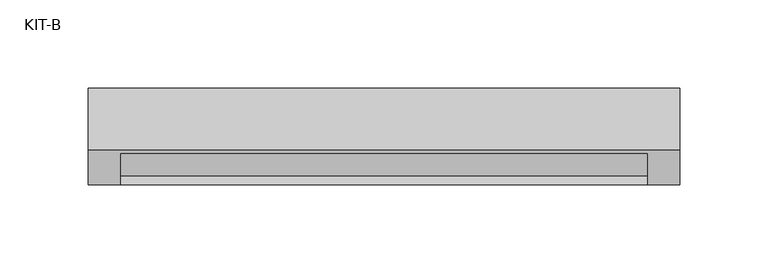
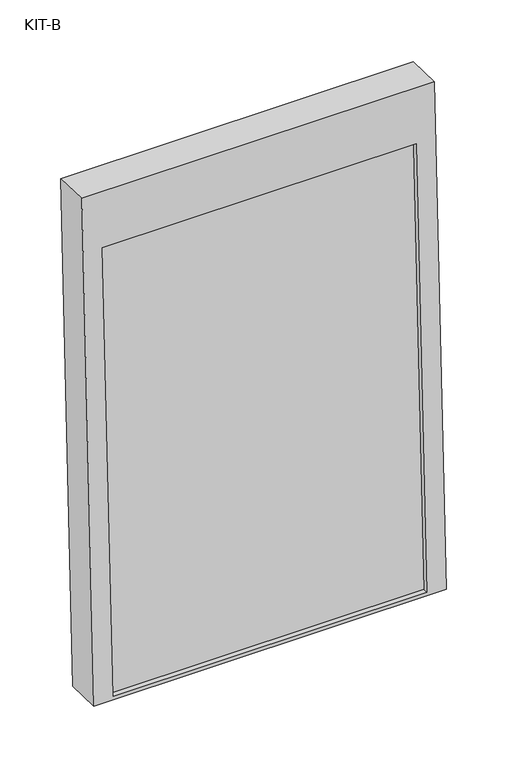
"""IFC4 building model written with IfcOpenShell, lengths in millimetres: plate geometry, KIT-B."""

from ifc_helpers import new_model, si_unit, frame, origin, place, context, project, spatial, polyline, outline, extrude, source, transform, mapped, element, save


def kit_b_1a5244a0(model_context):
    return source(origin(), model_context, "Body", "SweptSolid", [
        extrude(outline(polyline([(0.0, -299.0), (0.0, 0.0), (27.4505712, 0.0), (27.4505712, -299.0), (0.0, -299.0)])), frame((-149.5, -39.3205706, 694.9872355), z_axis=(0.0, 0.03973683410233642, 0.9992101801000245), x_axis=(0.0, 0.9992101801000245, -0.03973683410233642)), (0.0, 0.0, 1.0), 441.5315929),
        extrude(outline(polyline([(0.0, 0.0), (0.0, -336.0), (-500.0, -336.0), (-500.0, 0.0), (0.0, 0.0)]), holes=[polyline([(-55.0, -18.5), (-496.5315929, -18.5), (-496.5315929, -317.5), (-55.0, -317.5), (-55.0, -18.5)])]), frame((-168.0, 10.3863283, 1189.9345529), z_axis=(0.0, -0.9992101801000246, 0.039736834102334216), x_axis=(0.0, 0.039736834102334216, 0.9992101801000246)), (0.0, 0.0, 1.0), 35.0),
    ])


if __name__ == "__main__":
    model = new_model("IFC4")
    model_context = context("Model", 3, world=origin())
    ifc_project = project(units=[si_unit("LENGTHUNIT", "METRE", prefix="MILLI")], contexts=[model_context])
    site = spatial("IfcSite", under=ifc_project)
    building = spatial("IfcBuilding", under=site)
    placement = place(None, origin())
    kit_b_shape = kit_b_1a5244a0(model_context)
    element("IfcPlate", 1, ObjectType="KIT-B", at=placement, inside=building, context=model_context, shape_type="MappedRepresentation", body=[
        mapped(kit_b_shape, transform((0.0, 0.0, 0.0), x_axis=(1.0, 0.0, 0.0), y_axis=(0.0, 1.0, 0.0), z_axis=(0.0, 0.0, 1.0))),
    ])
    save(model, "model.ifc")
